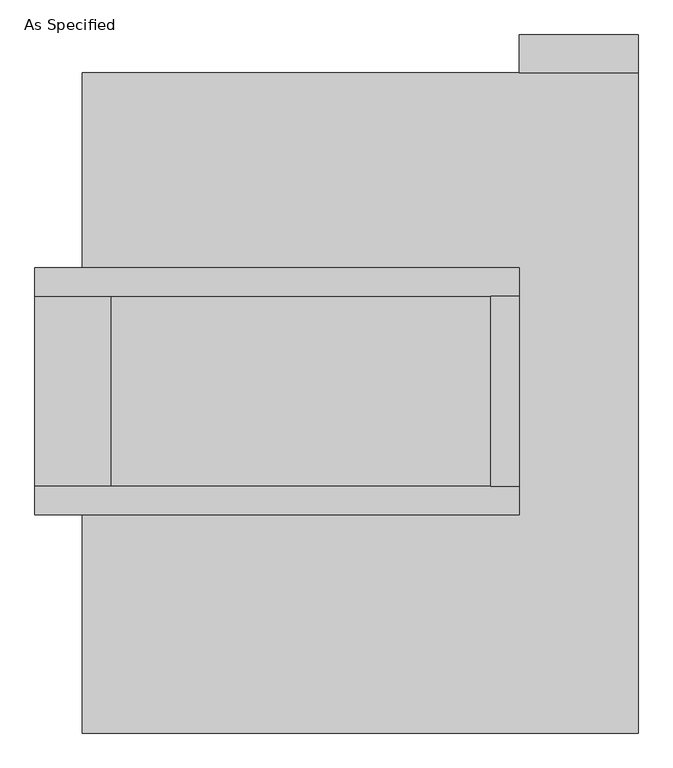
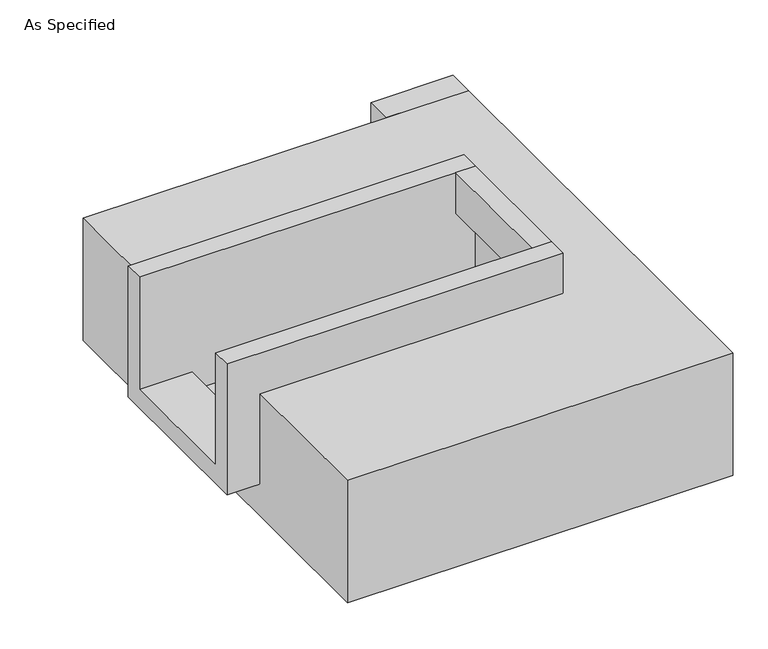
"""IFC4 building model written with IfcOpenShell, lengths in millimetres: proxy geometry, As Specified."""

from ifc_helpers import new_model, si_unit, frame, origin, place, context, project, spatial, polyline, outline, extrude, faceted_brep, source, transform, mapped, element, save


def as_specified_4f5d8704(model_context):
    return source(origin(), model_context, "Body", "SolidModel", [
        extrude(outline(polyline([(819.15, 882.65), (501.65, 882.65), (501.65, 984.25), (819.15, 984.25), (819.15, 882.65)])), frame((0.0, 0.0, -523.9742188), z_axis=(0.0, 0.0, 1.0), x_axis=(1.0, 0.0, 0.0)), (0.0, 0.0, 1.0), 498.5742187),
        extrude(outline(polyline([(425.45, 285.75), (501.65, 285.75), (501.65, -222.25), (425.45, -222.25), (425.45, 285.75)])), frame((0.0, 0.0, -25.4), z_axis=(0.0, 0.0, 1.0), x_axis=(1.0, 0.0, 0.0)), (0.0, 0.0, 1.0), 165.1),
        faceted_brep([(501.65, 285.75, 139.7), (501.65, 285.75, -317.5), (501.65, -222.25, -317.5), (501.65, -222.25, 139.7), (501.65, -298.45, 139.7), (501.65, -298.45, -393.7), (501.65, 361.95, -393.7), (501.65, 361.95, 139.7), (-793.75, 285.75, 139.7), (-793.75, 361.95, 139.7), (-793.75, 361.95, -393.7), (-793.75, -298.45, -393.7), (-793.75, -298.45, 139.7), (-793.75, -222.25, 139.7), (-793.75, -222.25, -317.5), (-793.75, 285.75, -317.5), (-590.55, 285.75, -393.7), (-590.55, -222.25, -393.7), (425.45, -222.25, -393.7), (425.45, 285.75, -393.7), (425.45, -222.25, -317.5), (-590.55, -222.25, -317.5), (425.45, 285.75, -317.5), (-590.55, 285.75, -317.5)], [[[0, 1, 2, 3, 4, 5, 6, 7]], [[8, 9, 10, 11, 12, 13, 14, 15]], [[0, 7, 9, 8]], [[7, 6, 10, 9]], [[6, 5, 11, 10], [16, 17, 18, 19]], [[4, 3, 13, 12]], [[3, 2, 20, 18, 17, 21, 14, 13]], [[2, 1, 22, 20]], [[15, 14, 21, 23]], [[1, 0, 8, 15, 23, 16, 19, 22]], [[21, 17, 16, 23]], [[18, 20, 22, 19]], [[5, 4, 12, 11]]]),
        faceted_brep([(819.15, 882.65, -523.9742188), (819.15, -882.65, -523.9742188), (-666.75, -882.65, -523.9742188), (-666.75, 882.65, -523.9742188), (-666.75, 882.65, -25.4), (-666.75, 361.95, -25.4), (501.65, 361.95, -25.4), (501.65, -298.45, -25.4), (-666.75, -298.45, -25.4), (-666.75, -882.65, -25.4), (819.15, -882.65, -25.4), (819.15, 882.65, -25.4), (-666.75, -298.45, -393.7), (-666.75, 361.95, -393.7), (501.65, 361.95, -393.7), (501.65, -298.45, -393.7)], [[[0, 1, 2, 3]], [[4, 5, 6, 7, 8, 9, 10, 11]], [[0, 3, 4, 11]], [[4, 3, 2, 9, 8, 12, 13, 5]], [[2, 1, 10, 9]], [[14, 15, 7, 6]], [[13, 14, 6, 5]], [[15, 14, 13, 12]], [[15, 12, 8, 7]], [[1, 0, 11, 10]]]),
    ])


if __name__ == "__main__":
    model = new_model("IFC4")
    model_context = context("Model", 3, world=origin())
    ifc_project = project(units=[si_unit("LENGTHUNIT", "METRE", prefix="MILLI")], contexts=[model_context])
    site = spatial("IfcSite", under=ifc_project)
    building = spatial("IfcBuilding", under=site)
    placement = place(None, origin())
    as_specified_shape = as_specified_4f5d8704(model_context)
    element("IfcBuildingElementProxy", 1, Name="As Specified", ObjectType="As Specified", at=placement, inside=building, context=model_context, shape_type="MappedRepresentation", body=[
        mapped(as_specified_shape, transform((0.0, 0.0, 0.0), x_axis=(1.0, 0.0, 0.0), y_axis=(0.0, 1.0, 0.0), z_axis=(0.0, 0.0, 1.0))),
    ])
    save(model, "model.ifc")
